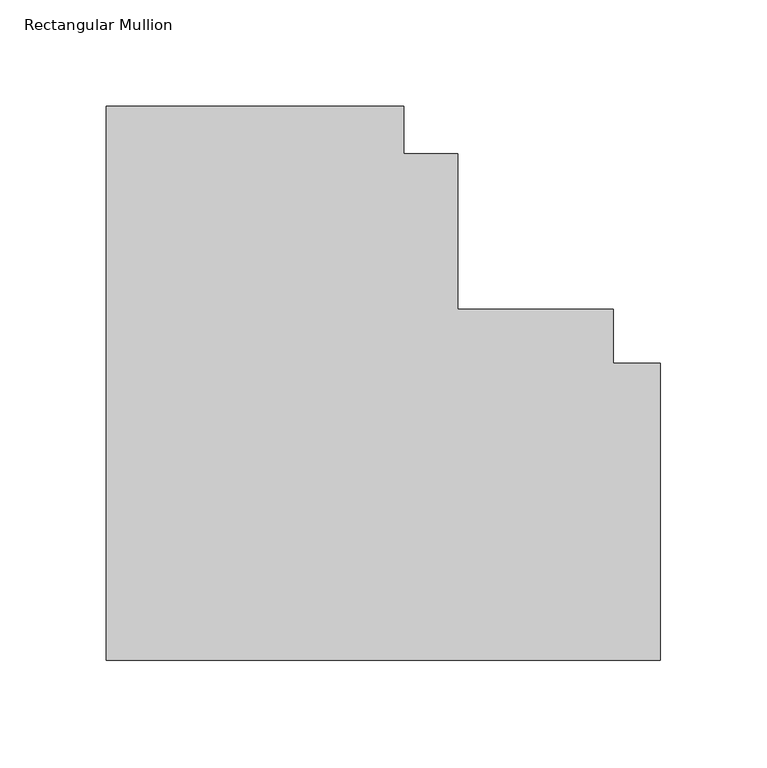
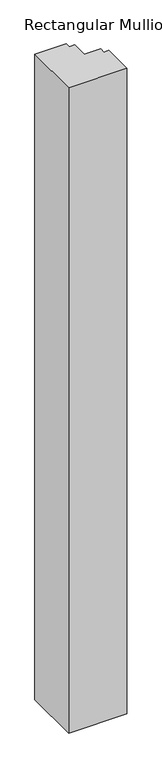
"""IFC4 building model written with IfcOpenShell, lengths in millimetres: member geometry, Rectangular Mullion."""

from ifc_helpers import new_model, si_unit, frame, origin, place, context, project, spatial, polyline, outline, extrude, source, transform, mapped, element, save


def rectangular_mullion_357109ed(model_context):
    return source(origin(), model_context, "Body", "SweptSolid", [
        extrude(outline(polyline([(-260.35, -260.35), (-260.35, 0.0), (-120.6499944, 0.0), (-120.6499944, -22.2248868), (-95.25, -22.2248868), (-95.25, -95.25), (-22.2248868, -95.25), (-22.2248868, -120.6499944), (0.0, -120.6499944), (0.0, -260.35), (-260.35, -260.35)])), frame((0.0, 0.0, -3048.0), z_axis=(0.0, 0.0, 1.0), x_axis=(1.0, 0.0, 0.0)), (0.0, 0.0, 1.0), 3048.0),
    ])


if __name__ == "__main__":
    model = new_model("IFC4")
    model_context = context("Model", 3, world=origin())
    ifc_project = project(units=[si_unit("LENGTHUNIT", "METRE", prefix="MILLI")], contexts=[model_context])
    site = spatial("IfcSite", under=ifc_project)
    building = spatial("IfcBuilding", under=site)
    placement = place(None, origin())
    rectangular_mullion_shape = rectangular_mullion_357109ed(model_context)
    element("IfcMember", 1, ObjectType="Rectangular Mullion", at=placement, inside=building, context=model_context, shape_type="MappedRepresentation", body=[
        mapped(rectangular_mullion_shape, transform((0.0, 0.0, 0.0), x_axis=(1.0, 0.0, 0.0), y_axis=(0.0, 1.0, 0.0), z_axis=(0.0, 0.0, 1.0))),
    ])
    save(model, "model.ifc")
